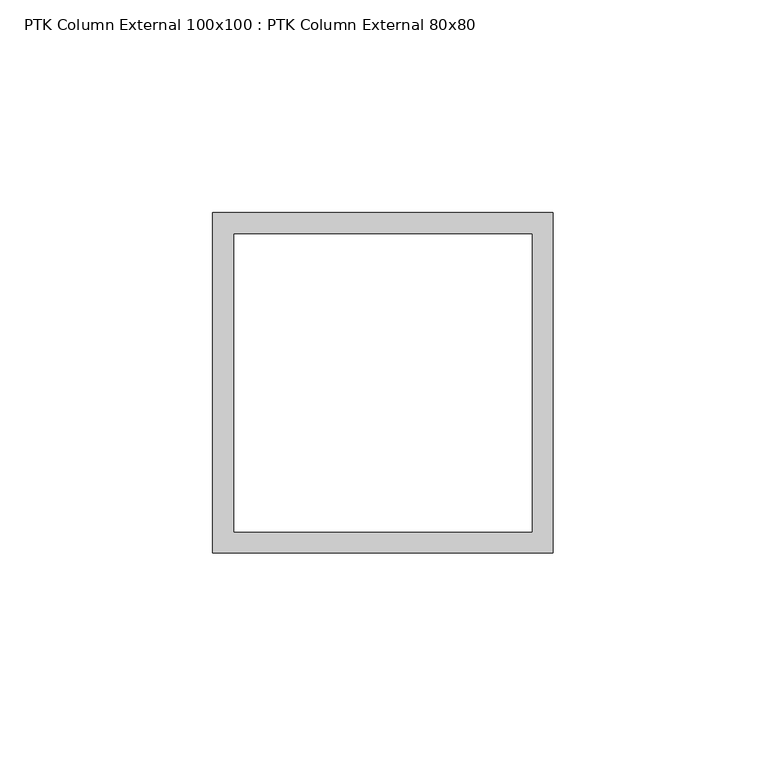
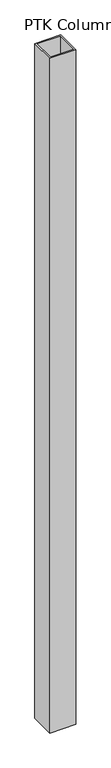
"""IFC4 building model written with IfcOpenShell, lengths in millimetres: column geometry, PTK Column External 100x100 : PTK Column External 80x80."""

from ifc_helpers import new_model, si_unit, origin, origin_with_axes, place, context, project, spatial, polyline, outline, extrude, source, transform, mapped, element, save


def ptk_column_external_100x100_ptk_column_external_80x80_b8d9636e(model_context):
    return source(origin(), model_context, "Body", "SweptSolid", [
        extrude(outline(polyline([(40.0, 40.0), (40.0, -40.0), (-40.0, -40.0), (-40.0, 40.0), (40.0, 40.0)]), holes=[polyline([(35.0, 35.0), (-35.0, 35.0), (-35.0, -35.0), (35.0, -35.0), (35.0, 35.0)])]), origin_with_axes(), (0.0, 0.0, 1.0), 2193.0),
    ])


if __name__ == "__main__":
    model = new_model("IFC4")
    model_context = context("Model", 3, world=origin())
    ifc_project = project(units=[si_unit("LENGTHUNIT", "METRE", prefix="MILLI")], contexts=[model_context])
    site = spatial("IfcSite", under=ifc_project)
    building = spatial("IfcBuilding", under=site)
    placement = place(None, origin())
    ptk_column_external_100x100_ptk_column_external_80x80_shape = ptk_column_external_100x100_ptk_column_external_80x80_b8d9636e(model_context)
    element("IfcColumn", 1, ObjectType="PTK Column External 100x100 : PTK Column External 80x80", at=placement, inside=building, context=model_context, shape_type="MappedRepresentation", body=[
        mapped(ptk_column_external_100x100_ptk_column_external_80x80_shape, transform((0.0, 0.0, 0.0), x_axis=(1.0, 0.0, 0.0), y_axis=(0.0, 1.0, 0.0), z_axis=(0.0, 0.0, 1.0))),
    ])
    save(model, "model.ifc")
